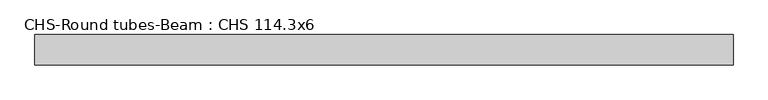
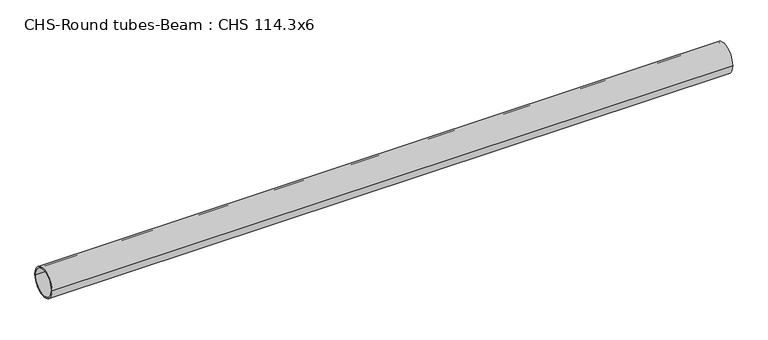
"""IFC4 building model written with IfcOpenShell, lengths in millimetres: beam geometry, CHS-Round tubes-Beam : CHS 114.3x6."""

from ifc_helpers import new_model, si_unit, point, frame, origin, origin_2d, place, context, project, spatial, circle_curve, trimmed, segment, composite_curve, outline, extrude, source, transform, mapped, element, save


def chs_round_tubes_beam_chs_114_3x6_89db6917(model_context):
    return source(origin(), model_context, "Body", "SweptSolid", [
        extrude(outline(composite_curve([segment(trimmed(circle_curve(origin_2d(), 57.15), [point((57.15, 0.0))], [point((-57.15, 0.0))], False, "CARTESIAN"), True, "CONTINUOUS"), segment(trimmed(circle_curve(origin_2d(), 57.15), [point((-57.15, 0.0))], [point((57.15, 0.0))], False, "CARTESIAN"), True, "CONTINUOUS")], self_intersect=False), holes=[composite_curve([segment(trimmed(circle_curve(origin_2d(), 51.15), [point((51.15, 0.0))], [point((-51.15, 0.0))], True, "CARTESIAN"), True, "CONTINUOUS"), segment(trimmed(circle_curve(origin_2d(), 51.15), [point((-51.15, 0.0))], [point((51.15, 0.0))], True, "CARTESIAN"), True, "CONTINUOUS")], self_intersect=False)]), frame((-1289.3410649, 0.0, 0.0), z_axis=(1.0, 0.0, 0.0), x_axis=(0.0, 1.0, 0.0)), (0.0, 0.0, 1.0), 2633.4125241),
    ])


if __name__ == "__main__":
    model = new_model("IFC4")
    model_context = context("Model", 3, world=origin())
    ifc_project = project(units=[si_unit("LENGTHUNIT", "METRE", prefix="MILLI")], contexts=[model_context])
    site = spatial("IfcSite", under=ifc_project)
    building = spatial("IfcBuilding", under=site)
    placement = place(None, origin())
    chs_round_tubes_beam_chs_114_3x6_shape = chs_round_tubes_beam_chs_114_3x6_89db6917(model_context)
    element("IfcBeam", 1, ObjectType="CHS-Round tubes-Beam : CHS 114.3x6", at=placement, inside=building, context=model_context, shape_type="MappedRepresentation", body=[
        mapped(chs_round_tubes_beam_chs_114_3x6_shape, transform((0.0, 0.0, 0.0), x_axis=(1.0, 0.0, 0.0), y_axis=(0.0, 1.0, 0.0), z_axis=(0.0, 0.0, 1.0))),
    ])
    save(model, "model.ifc")
